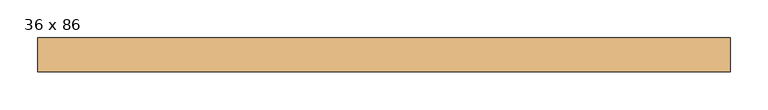
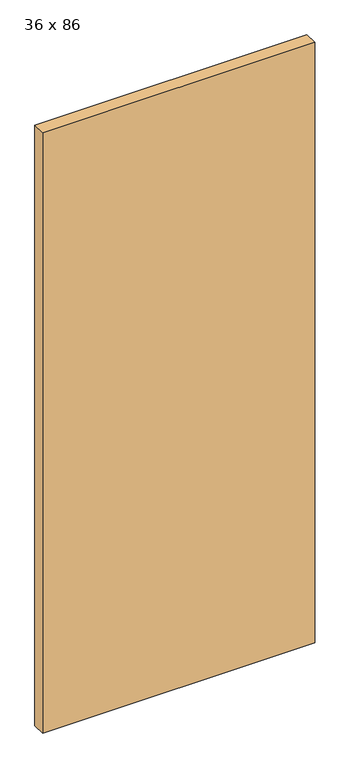
"""IFC4 building model written with IfcOpenShell, lengths in millimetres: door geometry, 36 x 86."""

from ifc_helpers import new_model, si_unit, origin, origin_with_axes, place, context, project, spatial, polyline, outline, extrude, source, transform, mapped, element, save


def door_36_x_86_a25b73cc(model_context):
    return source(origin(), model_context, "Body", "SweptSolid", [
        extrude(outline(polyline([(0.0, 0.0), (0.0, -44.45), (-914.4, -44.45), (-914.4, 0.0), (0.0, 0.0)])), origin_with_axes(), (0.0, 0.0, 1.0), 2133.6),
    ])


if __name__ == "__main__":
    model = new_model("IFC4")
    model_context = context("Model", 3, world=origin())
    ifc_project = project(units=[si_unit("LENGTHUNIT", "METRE", prefix="MILLI")], contexts=[model_context])
    site = spatial("IfcSite", under=ifc_project)
    building = spatial("IfcBuilding", under=site)
    placement = place(None, origin())
    door_36_x_86_shape = door_36_x_86_a25b73cc(model_context)
    element("IfcDoor", 1, ObjectType="36 x 86", at=placement, inside=building, context=model_context, shape_type="MappedRepresentation", body=[
        mapped(door_36_x_86_shape, transform((0.0, 0.0, 0.0), x_axis=(1.0, 0.0, 0.0), y_axis=(0.0, 1.0, 0.0), z_axis=(0.0, 0.0, 1.0))),
    ])
    save(model, "model.ifc")
